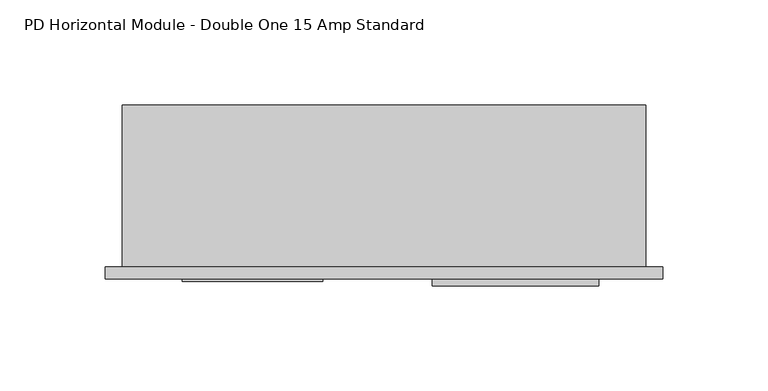
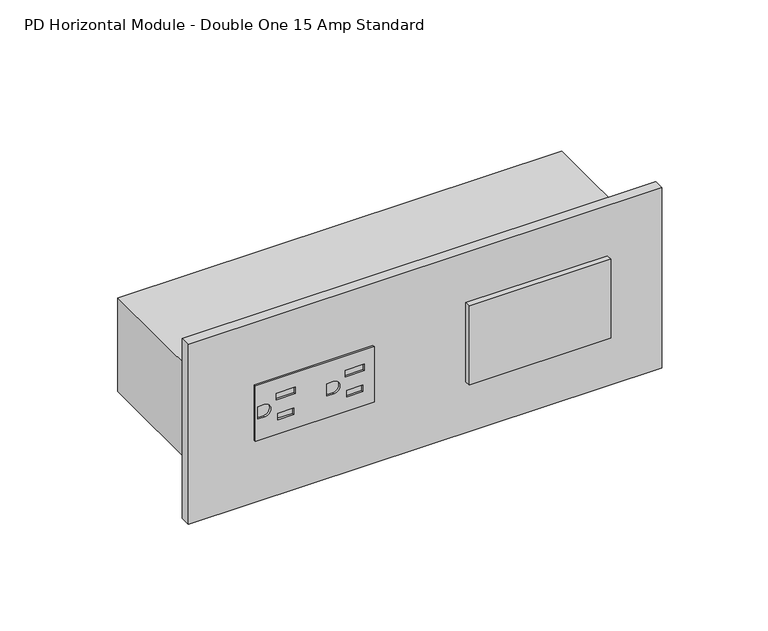
"""IFC4 building model written with IfcOpenShell, lengths in millimetres: proxy geometry, PD Horizontal Module - Double One 15 Amp Standard."""

from ifc_helpers import new_model, si_unit, point, frame, frame_2d, origin, place, context, project, spatial, polyline, circle_curve, trimmed, segment, composite_curve, outline, extrude, source, transform, mapped, element, save


def pd_horizontal_module_double_one_15_amp_standard_91662da0(model_context):
    return source(origin(), model_context, "Body", "SweptSolid", [
        extrude(outline(polyline([(821.6104559, 95.2641659), (854.6103899, 95.2641659), (854.6103899, 28.5842992), (821.6104559, 28.5842992), (821.6104559, 95.2641659)]), holes=[polyline([(842.2804146, 89.8841766), (842.2804146, 79.0241983), (846.1104069, 79.0241983), (846.1104069, 89.8841766), (842.2804146, 89.8841766)]), polyline([(830.1104389, 88.8841786), (830.1104389, 80.0241963), (833.9404313, 80.0241963), (833.9404313, 88.8841786), (830.1104389, 88.8841786)]), composite_curve([segment(polyline([(834.4760157, 68.8642187), (841.7404157, 68.8642187), (841.7404157, 72.4964187)]), True, "CONTINUOUS"), segment(trimmed(circle_curve(frame_2d((838.1082157, 72.4964187)), 3.6322), [point((841.7404157, 72.4964187))], [point((834.4760157, 72.4964187))], True, "CARTESIAN"), True, "CONTINUOUS"), segment(polyline([(834.4760157, 72.4964187), (834.4760157, 68.8642187)]), True, "CONTINUOUS")], self_intersect=False), polyline([(842.2804146, 51.1442541), (842.2804146, 40.2842758), (846.1104069, 40.2842758), (846.1104069, 51.1442541), (842.2804146, 51.1442541)]), polyline([(830.1104389, 50.1442561), (830.1104389, 41.2842738), (833.9404313, 41.2842738), (833.9404313, 50.1442561), (830.1104389, 50.1442561)]), composite_curve([segment(polyline([(834.4760157, 30.1242961), (841.7404157, 30.1242961), (841.7404157, 33.7564961)]), True, "CONTINUOUS"), segment(trimmed(circle_curve(frame_2d((838.1082157, 33.7564961)), 3.6322), [point((841.7404157, 33.7564961))], [point((834.4760157, 33.7564961))], True, "CARTESIAN"), True, "CONTINUOUS"), segment(polyline([(834.4760157, 33.7564961), (834.4760157, 30.1242961)]), True, "CONTINUOUS")], self_intersect=False)]), frame((0.0, -6.9294746, 0.0), z_axis=(0.0, 1.0, 0.0), x_axis=(0.0, 0.0, 1.0)), (0.0, 0.0, 1.0), 1.0366746),
        extrude(outline(polyline([(147.3082675, -5.8928), (226.6832675, -5.8928), (226.6832675, -9.0678), (147.3082675, -9.0678), (147.3082675, -5.8928)])), frame((0.0, 0.0, 814.8854229), z_axis=(0.0, 0.0, 1.0), x_axis=(1.0, 0.0, 0.0)), (0.0, 0.0, 1.0), 46.863),
        extrude(outline(polyline([(-8.2450977, 0.0), (257.1652913, 0.0), (257.1652913, -5.8928), (-8.2450977, -5.8928), (-8.2450977, 0.0)])), frame((0.0, 0.0, 784.6718508), z_axis=(0.0, 0.0, 1.0), x_axis=(1.0, 0.0, 0.0)), (0.0, 0.0, 1.0), 106.8771443),
        extrude(outline(polyline([(248.92, 0.0), (0.0, 0.0), (0.0, 77.054), (248.92, 77.054), (248.92, 0.0)])), frame((0.0, 0.0, 810.3355229), z_axis=(0.0, 0.0, 1.0), x_axis=(1.0, 0.0, 0.0)), (0.0, 0.0, 1.0), 55.5498),
    ])


if __name__ == "__main__":
    model = new_model("IFC4")
    model_context = context("Model", 3, world=origin())
    ifc_project = project(units=[si_unit("LENGTHUNIT", "METRE", prefix="MILLI")], contexts=[model_context])
    site = spatial("IfcSite", under=ifc_project)
    building = spatial("IfcBuilding", under=site)
    placement = place(None, origin())
    pd_horizontal_module_double_one_15_amp_standard_shape = pd_horizontal_module_double_one_15_amp_standard_91662da0(model_context)
    element("IfcBuildingElementProxy", 1, Name="PD Horizontal Module - Double One 15 Amp Standard", ObjectType="PD Horizontal Module - Double One 15 Amp Standard", at=placement, inside=building, context=model_context, shape_type="MappedRepresentation", body=[
        mapped(pd_horizontal_module_double_one_15_amp_standard_shape, transform((0.0, 0.0, 0.0), x_axis=(1.0, 0.0, 0.0), y_axis=(0.0, 1.0, 0.0), z_axis=(0.0, 0.0, 1.0))),
    ])
    save(model, "model.ifc")
